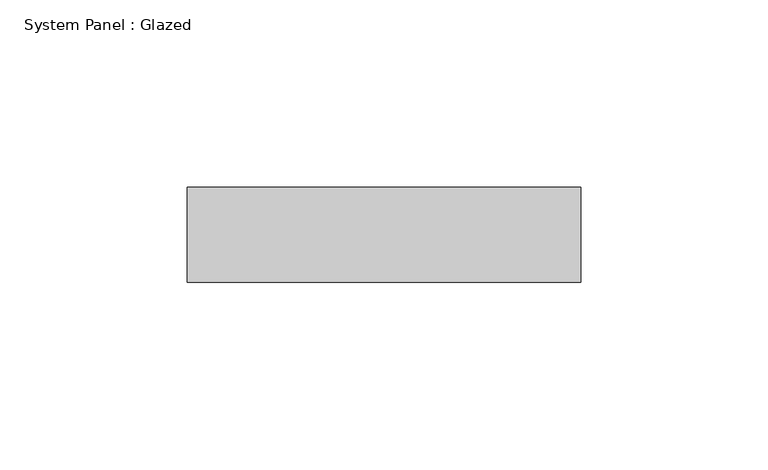
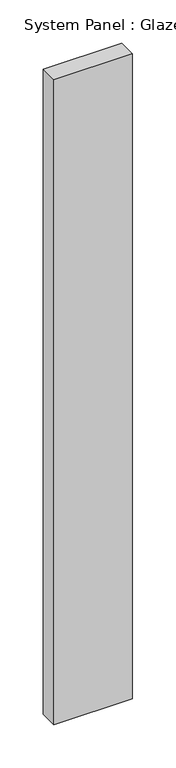
"""IFC4 building model written with IfcOpenShell, lengths in millimetres: plate geometry, System Panel : Glazed."""

from ifc_helpers import new_model, si_unit, origin, origin_with_axes, place, context, project, spatial, polyline, outline, extrude, source, transform, mapped, element, save


def system_panel_glazed_2a5f9a48(model_context):
    return source(origin(), model_context, "Body", "SweptSolid", [
        extrude(outline(polyline([(52.6236378, 19.05), (-52.6236378, 19.05), (-52.6236378, 44.45), (52.6236378, 44.45), (52.6236378, 19.05)])), origin_with_axes(), (0.0, 0.0, 1.0), 914.4),
    ])


if __name__ == "__main__":
    model = new_model("IFC4")
    model_context = context("Model", 3, world=origin())
    ifc_project = project(units=[si_unit("LENGTHUNIT", "METRE", prefix="MILLI")], contexts=[model_context])
    site = spatial("IfcSite", under=ifc_project)
    building = spatial("IfcBuilding", under=site)
    placement = place(None, origin())
    system_panel_glazed_shape = system_panel_glazed_2a5f9a48(model_context)
    element("IfcPlate", 1, ObjectType="System Panel : Glazed", at=placement, inside=building, context=model_context, shape_type="MappedRepresentation", body=[
        mapped(system_panel_glazed_shape, transform((0.0, 0.0, 0.0), x_axis=(1.0, 0.0, 0.0), y_axis=(0.0, 1.0, 0.0), z_axis=(0.0, 0.0, 1.0))),
    ])
    save(model, "model.ifc")
